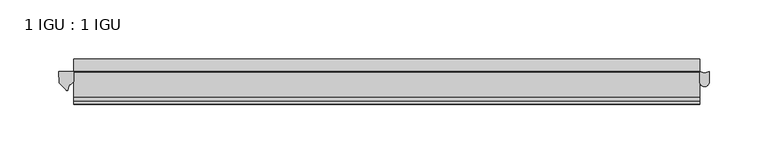
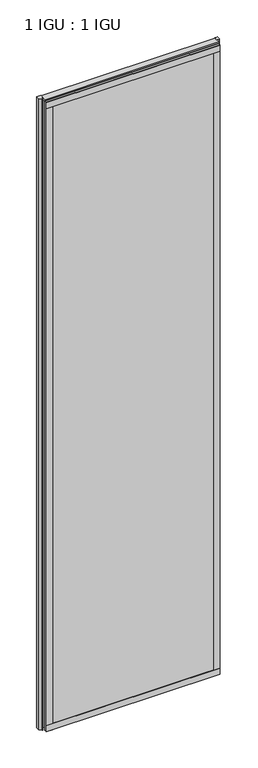
"""IFC4 building model written with IfcOpenShell, lengths in millimetres: plate geometry, 1 IGU : 1 IGU."""

from ifc_helpers import new_model, si_unit, point, frame, frame_2d, origin, place, context, project, spatial, polyline, circle_curve, ellipse_curve, trimmed, segment, composite_curve, outline, extrude, source, transform, mapped, element, save
from ifc_brep_helpers import plane_surface, cylinder_surface, revolved_surface, extruded_surface, advanced_brep


def plate_1_igu_1_igu_1a34679d(model_context):
    return source(origin(), model_context, "Body", "SolidModel", [
        extrude(outline(polyline([(266.6932531, -11.6085937), (266.6932531, -18.8576359), (-266.6932531, -18.8576359), (-266.6932531, -11.6085937), (266.6932531, -11.6085937)])), frame((0.0, 0.0, -19.05), z_axis=(0.0, 0.0, 1.0), x_axis=(1.0, 0.0, 0.0)), (0.0, 0.0, 1.0), 2038.3500001),
        extrude(outline(polyline([(-266.6932531, -30.7093937), (266.6932531, -30.7093937), (266.6932531, -37.0085937), (-266.6932531, -37.0085937), (-266.6932531, -30.7093937)])), frame((0.0, 0.0, -19.05), z_axis=(0.0, 0.0, 1.0), x_axis=(1.0, 0.0, 0.0)), (0.0, 0.0, 1.0), 2038.3500001),
        extrude(outline(composite_curve([segment(polyline([(-266.6932531, -11.610702), (-266.6932531, -20.1014769)]), True, "CONTINUOUS"), segment(trimmed(circle_curve(frame_2d((-272.9744475, -16.3829847)), 7.2993552), [point((-266.6932531, -20.1014769))], [point((-270.7922029, -23.3484994))], False, "CARTESIAN"), True, "CONTINUOUS"), segment(polyline([(-270.7922029, -23.3484994), (-272.0536896, -27.4746364)]), True, "CONTINUOUS"), segment(trimmed(circle_curve(frame_2d((-272.7823938, -27.2518492)), 0.762), [point((-272.0536896, -27.4746364))], [point((-273.4551999, -27.6095865))], False, "CARTESIAN"), True, "CONTINUOUS"), segment(polyline([(-273.4551999, -27.6095865), (-279.3932531, -21.3502133), (-279.7711623, -11.610702), (-266.6932531, -11.610702)]), True, "CONTINUOUS")], self_intersect=False)), frame((0.0, 0.0, -19.05), z_axis=(0.0, 0.0, 1.0), x_axis=(1.0, 0.0, 0.0)), (0.0, 0.0, 1.0), 2045.4874001),
        extrude(outline(composite_curve([segment(trimmed(circle_curve(frame_2d((270.7869829, -20.4985938)), 4.0937298), [point((274.8807127, -20.4985937))], [point((266.6932531, -20.4985938))], False, "CARTESIAN"), True, "CONTINUOUS"), segment(polyline([(266.6932531, -20.4985938), (266.6932531, -11.6085938)]), True, "CONTINUOUS"), segment(trimmed(circle_curve(frame_2d((270.7869829, -4.9389529)), 7.8257736), [point((266.6932531, -11.6085938))], [point((274.8807127, -11.6085938))], True, "CARTESIAN"), True, "CONTINUOUS"), segment(polyline([(274.8807127, -11.6085938), (274.8807127, -20.4985937)]), True, "CONTINUOUS")], self_intersect=False)), frame((0.0, 0.0, -19.05), z_axis=(0.0, 0.0, 1.0), x_axis=(1.0, 0.0, 0.0)), (0.0, 0.0, 1.0), 2045.4874001),
        extrude(outline(polyline([(-11.6085937, -15.24), (-11.6085937, 2.8161565), (-0.5298609, 1.2591422), (-0.5298609, -0.6645794), (-5.258589, 0.0), (-5.258589, -4.826), (-1.575589, -4.826), (-1.575589, -7.874), (-5.258589, -7.874), (-5.258589, -13.208), (-3.099589, -13.208), (-3.099589, -15.24), (-11.6085937, -15.24)])), frame((-266.6932531, 0.0, 0.0), z_axis=(1.0, 0.0, 0.0), x_axis=(0.0, 1.0, 0.0)), (0.0, 0.0, 1.0), 533.3865062),
        extrude(outline(polyline([(-266.6932531, -39.2945937), (-266.6932531, -37.0085937), (266.6932531, -37.0085937), (266.6932531, -39.2945937), (-266.6932531, -39.2945937)])), frame((0.0, 0.0, -19.05), z_axis=(0.0, 0.0, 1.0), x_axis=(1.0, 0.0, 0.0)), (0.0, 0.0, 1.0), 19.05),
        advanced_brep(
        [(-266.6932531, -24.3085937, 2018.1276629), (-266.6932531, -33.4116395, 2026.4374001), (-266.6932531, -12.7165288, 2026.4374001), (-266.6932531, -11.6085937, 2019.3000001), (-266.6932531, -17.9077937, 2019.3000001), (266.6932531, -24.3085937, 2018.1276629), (266.6932531, -17.9077937, 2019.3000001), (266.6932531, -11.6085937, 2019.3000001), (266.6932531, -12.7165288, 2026.4374001), (266.6932531, -33.4116395, 2026.4374001)],
        [
            (0, 1, ellipse_curve(frame((-266.6932531, -24.3085937, 2028.8250001), z_axis=(-1.0, 0.0, 0.0), x_axis=(0.0, 0.0, -1.0)), 10.6973372, 9.3386252)),
            (1, 2),
            (2, 3, circle_curve(frame((-266.6932531, 26.2083666, 2028.8250001), z_axis=(1.0, 0.0, 0.0), x_axis=(0.0, 0.0, -1.0)), 38.9980527)),
            (3, 4),
            (4, 0, circle_curve(frame((-266.6932531, -24.3085937, 2036.1875764), z_axis=(-1.0, 0.0, 0.0), x_axis=(0.0, 0.0, -1.0)), 18.0599135)),
            (5, 6, circle_curve(frame((266.6932531, -24.3085937, 2036.1875764), z_axis=(1.0, 0.0, 0.0), x_axis=(0.0, 0.0, -1.0)), 18.0599135)),
            (6, 7),
            (7, 8, circle_curve(frame((266.6932531, 26.2083666, 2028.8250001), z_axis=(-1.0, 0.0, 0.0), x_axis=(0.0, 0.0, -1.0)), 38.9980527)),
            (8, 9),
            (9, 5, ellipse_curve(frame((266.6932531, -24.3085937, 2028.8250001), z_axis=(1.0, 0.0, 0.0), x_axis=(0.0, 0.0, -1.0)), 10.6973372, 9.3386252)),
            (0, 5),
            (9, 1),
            (8, 2),
            (7, 3),
            (6, 4),
        ],
        [
            plane_surface(frame((-266.6932531, -9.2273437, 2028.8250001), z_axis=(-1.0, 0.0, 0.0), x_axis=(0.0, 1.0, 0.0))),
            plane_surface(frame((266.6932531, -9.2273438, 2028.8250001), z_axis=(1.0, 0.0, 0.0), x_axis=(0.0, 1.0, 0.0))),
            extruded_surface(trimmed(ellipse_curve(frame((266.6932531, -24.3085937, 2028.8250001), z_axis=(-1.0, 0.0, 0.0), x_axis=(0.0, 0.0, -1.0)), 10.6973372, 9.3386252), [point((266.6932531, -24.3085937, 2018.1276629))], [point((266.6932531, -33.4116395, 2026.4374001))], True, "CARTESIAN"), (-533.3865062, 0.0, 0.0), 533.3865062),
            plane_surface(frame((-266.6932531, -33.4116395, 2026.4374001), z_axis=(0.0, 0.0, 1.0), x_axis=(1.0, 0.0, 0.0))),
            revolved_surface(polyline([(266.6932531, 26.2083666, 1989.8269473999999), (-266.6932531, 26.2083666, 1989.8269473999999)]), (-266.6932531, 26.2083666, 2028.8250001), (1.0, 0.0, 0.0)),
            plane_surface(frame((-266.6932531, -11.6085937, 2019.3000001), z_axis=(0.0, 0.0, -1.0), x_axis=(1.0, 0.0, 0.0))),
            cylinder_surface(frame((-266.6932531, -24.3085937, 2036.1875764), z_axis=(-1.0, 0.0, 0.0), x_axis=(0.0, 0.0, -1.0)), 18.0599135),
        ],
        [
            (0, [[1, 2, 3, 4, 5]]),
            (1, [[6, 7, 8, 9, 10]]),
            (2, [[-1, 11, -10, 12]]),
            (3, [[-2, -12, -9, 13]]),
            (4, [[-3, -13, -8, 14]]),
            (5, [[-4, -14, -7, 15]]),
            (6, [[-5, -15, -6, -11]]),
        ],
    ),
        extrude(outline(polyline([(-266.6932531, -39.2945937), (-266.6932531, -37.0085937), (266.6932531, -37.0085937), (266.6932531, -39.2945937), (-266.6932531, -39.2945937)])), frame((0.0, 0.0, 2000.2500001), z_axis=(0.0, 0.0, 1.0), x_axis=(1.0, 0.0, 0.0)), (0.0, 0.0, 1.0), 19.05),
        extrude(outline(polyline([(247.6432531, -37.0085937), (266.6932531, -37.0085937), (266.6932531, -39.2945938), (247.6432531, -39.2945938), (247.6432531, -37.0085937)])), frame((0.0, 0.0, -19.05), z_axis=(0.0, 0.0, 1.0), x_axis=(1.0, 0.0, 0.0)), (0.0, 0.0, 1.0), 2038.3500001),
        extrude(outline(polyline([(-266.6932531, -39.2945937), (-266.6932531, -37.0085937), (-247.6432531, -37.0085937), (-247.6432531, -39.2945937), (-266.6932531, -39.2945937)])), frame((0.0, 0.0, -19.05), z_axis=(0.0, 0.0, 1.0), x_axis=(1.0, 0.0, 0.0)), (0.0, 0.0, 1.0), 2038.3500001),
    ])


if __name__ == "__main__":
    model = new_model("IFC4")
    model_context = context("Model", 3, world=origin())
    ifc_project = project(units=[si_unit("LENGTHUNIT", "METRE", prefix="MILLI")], contexts=[model_context])
    site = spatial("IfcSite", under=ifc_project)
    building = spatial("IfcBuilding", under=site)
    placement = place(None, origin())
    plate_1_igu_1_igu_shape = plate_1_igu_1_igu_1a34679d(model_context)
    element("IfcPlate", 1, ObjectType="1 IGU : 1 IGU", at=placement, inside=building, context=model_context, shape_type="MappedRepresentation", body=[
        mapped(plate_1_igu_1_igu_shape, transform((0.0, 0.0, 0.0), x_axis=(1.0, 0.0, 0.0), y_axis=(0.0, 1.0, 0.0), z_axis=(0.0, 0.0, 1.0))),
    ])
    save(model, "model.ifc")
